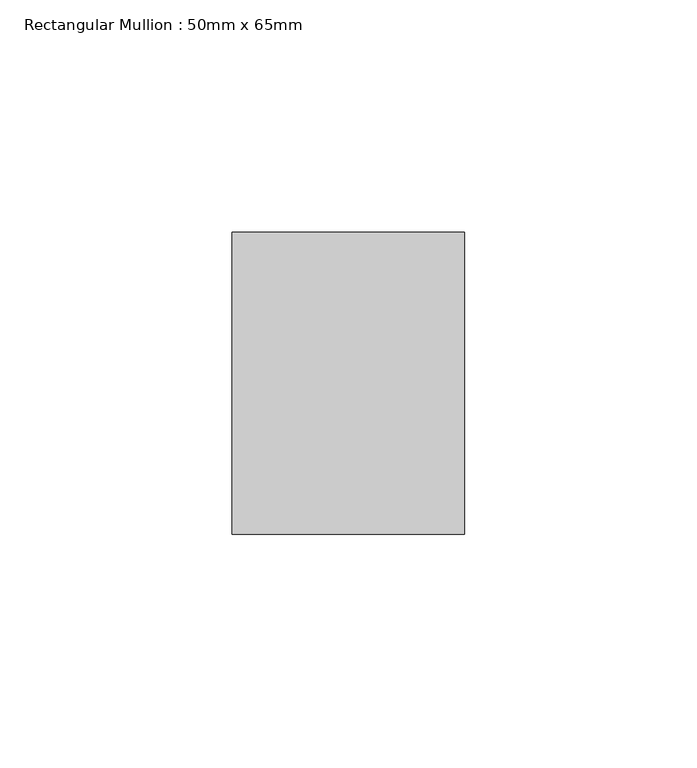
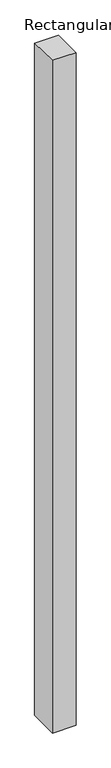
"""IFC4 building model written with IfcOpenShell, lengths in millimetres: member geometry, Rectangular Mullion : 50mm x 65mm."""

from ifc_helpers import new_model, si_unit, origin, place, context, project, spatial, faceted_brep, source, transform, mapped, element, save


def rectangular_mullion_50mm_x_65mm_90a38ac3(model_context):
    return source(origin(), model_context, "Body", "Brep", [
        faceted_brep([(-25.0, 32.5, -0.4966785), (25.0, 32.5, -0.496678), (25.0, 32.5, -1499.5933478), (-25.0, 32.5, -1499.5933473), (-25.0, -32.5, 0.496678), (-25.0, -32.5, -1500.4080009), (25.0, -32.5, 0.4966785), (25.0, -32.5, -1500.4080013)], [[[0, 1, 2, 3]], [[4, 0, 3, 5]], [[6, 4, 5, 7]], [[1, 6, 7, 2]], [[1, 0, 4, 6]], [[2, 7, 5, 3]]]),
    ])


if __name__ == "__main__":
    model = new_model("IFC4")
    model_context = context("Model", 3, world=origin())
    ifc_project = project(units=[si_unit("LENGTHUNIT", "METRE", prefix="MILLI")], contexts=[model_context])
    site = spatial("IfcSite", under=ifc_project)
    building = spatial("IfcBuilding", under=site)
    placement = place(None, origin())
    rectangular_mullion_50mm_x_65mm_shape = rectangular_mullion_50mm_x_65mm_90a38ac3(model_context)
    element("IfcMember", 1, ObjectType="Rectangular Mullion : 50mm x 65mm", at=placement, inside=building, context=model_context, shape_type="MappedRepresentation", body=[
        mapped(rectangular_mullion_50mm_x_65mm_shape, transform((0.0, 0.0, 0.0), x_axis=(1.0, 0.0, 0.0), y_axis=(0.0, 1.0, 0.0), z_axis=(0.0, 0.0, 1.0))),
    ])
    save(model, "model.ifc")
